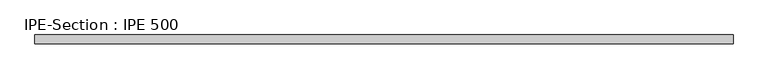
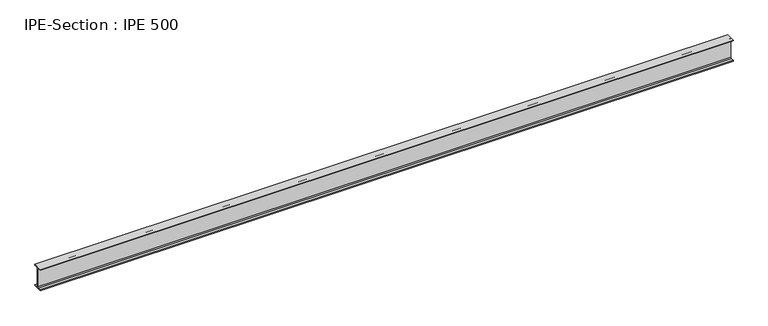
"""IFC4 building model written with IfcOpenShell, lengths in millimetres: beam geometry, IPE-Section : IPE 500."""

import ifcopenshell
import ifcopenshell.guid

model = None  # the IFC model being written
_history = None  # IfcOwnerHistory: only IFC2X3 demands one
_inside = {}  # id of a spatial element -> (the spatial element, [elements in it])
_under = {}  # id of a project, library or spatial element -> (it, [spatial elements below it])
_declared = {}  # id of a project -> (the project, [libraries it declares])
_typed = {}  # id of a type object -> (the type object, [elements of that type])
_made_of = {}  # id of a material, layer set ... -> (it, [elements and type objects made of it])


def new_model(schema):
    """Start an empty IFC model of exactly this schema.

    Asked for "IFC4X3", IfcOpenShell would pick the latest addendum, in which some entities
    have other attributes; the version numbers below select the first issue.
    IFC2X3 requires an IfcOwnerHistory on every rooted entity: one is made here for all.
    """
    global model, _history
    if schema == "IFC4X3":
        model = ifcopenshell.file(schema_version=(4, 3, 0, 0))
    else:
        model = ifcopenshell.file(schema=schema)
    _inside.clear()
    _under.clear()
    _declared.clear()
    _typed.clear()
    _made_of.clear()
    _history = None
    if model.schema == "IFC2X3":
        org = make("IfcOrganization", Name="unknown")
        user = make(
            "IfcPersonAndOrganization",
            ThePerson=make("IfcPerson", FamilyName="unknown"),
            TheOrganization=org,
        )
        app = make(
            "IfcApplication",
            ApplicationDeveloper=org,
            Version="unknown",
            ApplicationFullName="unknown",
            ApplicationIdentifier="unknown",
        )
        _history = make(
            "IfcOwnerHistory",
            OwningUser=user,
            OwningApplication=app,
            ChangeAction="ADDED",
            CreationDate=0,
        )
    return model


def make(cls, **values):
    """One entity of the class cls with the attributes given. An attribute that is None is left unset."""
    return model.create_entity(
        cls, **{name: value for name, value in values.items() if value is not None}
    )


def rooted(cls, **values):
    """An entity with a GlobalId (a new one), such as an element, a storey or a relation."""
    return make(cls, GlobalId=ifcopenshell.guid.new(), OwnerHistory=_history, **values)


def si_unit(unit_type, name, prefix=None):
    """IfcSIUnit, for example si_unit("LENGTHUNIT", "METRE", prefix="MILLI")."""
    return make("IfcSIUnit", UnitType=unit_type, Prefix=prefix, Name=name)


def assignment(units):
    """IfcUnitAssignment: the units of a project."""
    return None if units is None else make("IfcUnitAssignment", Units=units)


def point(xyz):
    """IfcCartesianPoint."""
    return None if xyz is None else make("IfcCartesianPoint", Coordinates=xyz)


def direction(xyz):
    """IfcDirection."""
    return None if xyz is None else make("IfcDirection", DirectionRatios=xyz)


def frame(location, z_axis=None, x_axis=None):
    """IfcAxis2Placement3D, a coordinate frame: its origin and axes. An axis left out is left unset."""
    return make(
        "IfcAxis2Placement3D",
        Location=point(location),
        Axis=direction(z_axis),
        RefDirection=direction(x_axis),
    )


def frame_2d(location, x_axis=None):
    """IfcAxis2Placement2D, a coordinate frame in the plane: its origin and x axis."""
    return make(
        "IfcAxis2Placement2D", Location=point(location), RefDirection=direction(x_axis)
    )


def origin():
    """The frame at (0, 0, 0) with its axes left unset."""
    return frame((0.0, 0.0, 0.0))


def place(relative_to, where):
    """IfcLocalPlacement: puts the frame where relative to a parent placement (None: the world)."""
    return make(
        "IfcLocalPlacement", PlacementRelTo=relative_to, RelativePlacement=where
    )


def context(
    kind, dimensions, precision=None, world=None, true_north=None, identifier=None
):
    """IfcGeometricRepresentationContext, for example the 3D "Model" context."""
    return make(
        "IfcGeometricRepresentationContext",
        ContextIdentifier=identifier,
        ContextType=kind,
        CoordinateSpaceDimension=dimensions,
        Precision=precision,
        WorldCoordinateSystem=world,
        TrueNorth=true_north,
    )


def project(units=None, contexts=None):
    """IfcProject with its units and contexts."""
    return rooted(
        "IfcProject",
        Name="project",
        RepresentationContexts=contexts,
        UnitsInContext=assignment(units),
    )


def spatial(cls, under=None, at=None, **own):
    """A site, building, storey or space (cls), placed at a placement, below another one or the project."""
    s = rooted(cls, ObjectPlacement=at, **own)
    if under is not None:
        _under.setdefault(under.id(), (under, []))[1].append(s)
    return s


def polyline(points):
    """IfcPolyline through the points."""
    return make("IfcPolyline", Points=[point(p) for p in points])


def circle_curve(where, radius):
    """IfcCircle in the frame where."""
    return make("IfcCircle", Position=where, Radius=radius)


def trimmed(basis, trim1, trim2, sense, master):
    """IfcTrimmedCurve: the piece of a basis curve between two trims."""
    return make(
        "IfcTrimmedCurve",
        BasisCurve=basis,
        Trim1=trim1,
        Trim2=trim2,
        SenseAgreement=sense,
        MasterRepresentation=master,
    )


def segment(curve, same_sense, transition):
    """IfcCompositeCurveSegment."""
    return make(
        "IfcCompositeCurveSegment",
        Transition=transition,
        SameSense=same_sense,
        ParentCurve=curve,
    )


def composite_curve(segments, self_intersect=None):
    """IfcCompositeCurve: segments joined end to end."""
    return make("IfcCompositeCurve", Segments=segments, SelfIntersect=self_intersect)


def outline(outer, holes=None, kind="AREA"):
    """IfcArbitraryClosedProfileDef: a profile drawn as a closed curve; with holes, ...WithVoids."""
    if holes is None:
        return make("IfcArbitraryClosedProfileDef", ProfileType=kind, OuterCurve=outer)
    return make(
        "IfcArbitraryProfileDefWithVoids",
        ProfileType=kind,
        OuterCurve=outer,
        InnerCurves=holes,
    )


def extrude(swept, where, along, depth):
    """IfcExtrudedAreaSolid: the profile swept, set in the frame where, extruded along a direction by depth."""
    return make(
        "IfcExtrudedAreaSolid",
        SweptArea=swept,
        Position=where,
        ExtrudedDirection=direction(along),
        Depth=depth,
    )


def shape(context_of_items, identifier, shape_type, items):
    """IfcShapeRepresentation: the items that make up one representation, for example the "Body"."""
    return make(
        "IfcShapeRepresentation",
        ContextOfItems=context_of_items,
        RepresentationIdentifier=identifier,
        RepresentationType=shape_type,
        Items=items,
    )


def source(mapping_origin, context_of_items, identifier, shape_type, items):
    """IfcRepresentationMap: a shape defined once, which mapped items show again and again."""
    return make(
        "IfcRepresentationMap",
        MappingOrigin=mapping_origin,
        MappedRepresentation=shape(context_of_items, identifier, shape_type, items),
    )


def transform(
    local_origin,
    x_axis=None,
    y_axis=None,
    z_axis=None,
    scale=None,
    scale2=None,
    scale3=None,
    uniform=True,
):
    """IfcCartesianTransformationOperator3D, or its non-uniform kind. x_axis, y_axis, z_axis: its Axis1, 2, 3."""
    if uniform:
        return make(
            "IfcCartesianTransformationOperator3D",
            Axis1=direction(x_axis),
            Axis2=direction(y_axis),
            LocalOrigin=point(local_origin),
            Scale=scale,
            Axis3=direction(z_axis),
        )
    return make(
        "IfcCartesianTransformationOperator3DnonUniform",
        Axis1=direction(x_axis),
        Axis2=direction(y_axis),
        LocalOrigin=point(local_origin),
        Scale=scale,
        Axis3=direction(z_axis),
        Scale2=scale2,
        Scale3=scale3,
    )


def mapped(mapping_source, mapping_target):
    """IfcMappedItem: shows the shape of a source again, moved by a transform."""
    return make(
        "IfcMappedItem", MappingSource=mapping_source, MappingTarget=mapping_target
    )


def made_of(thing, what):
    """Note that an element or type object is made of a material, layer set ...; save() writes the relation."""
    if what is not None:
        _made_of.setdefault(what.id(), (what, []))[1].append(thing)
    return thing


def element(
    cls,
    number,
    at=None,
    inside=None,
    cuts=None,
    type_object=None,
    material=None,
    context=None,
    identifier="Body",
    shape_type=None,
    held_by="IfcProductDefinitionShape",
    body=None,
    shapes=None,
    **own,
):
    """One element of the class cls, such as IfcWall. Its Tag is "e" and its number.

    at: its placement. inside: the storey or other place that contains it. cuts: it is an
    opening in that element (IfcRelVoidsElement). A single representation is given by context,
    identifier, shape_type and body (its items); several are given by shapes. held_by: the class
    of the entity that holds the representations. save() writes the other relations.
    """
    e = rooted(cls, Tag="e%d" % number, ObjectPlacement=at, **own)
    if body is not None:
        shapes = [shape(context, identifier, shape_type, body)]
    if shapes is not None:
        e.Representation = make(held_by, Representations=shapes)
    if inside is not None:
        _inside.setdefault(inside.id(), (inside, []))[1].append(e)
    if cuts is not None:
        rooted(
            "IfcRelVoidsElement", RelatingBuildingElement=cuts, RelatedOpeningElement=e
        )
    if type_object is not None:
        _typed.setdefault(type_object.id(), (type_object, []))[1].append(e)
    return made_of(e, material)


def aggregate(whole, parts):
    """IfcRelAggregates: a whole, such as a stair, and the parts it consists of."""
    return rooted("IfcRelAggregates", RelatingObject=whole, RelatedObjects=parts)


def save(model, path):
    """Write the relations noted so far, then the file.

    IfcRelAggregates (storeys below a building ...), IfcRelContainedInSpatialStructure (elements
    in a storey), IfcRelDefinesByType, IfcRelAssociatesMaterial and IfcRelDeclares: one each for
    every whole, place, type object, material and project.
    """
    for whole, parts in _under.values():
        aggregate(whole, parts)
    for where, things in _inside.values():
        rooted(
            "IfcRelContainedInSpatialStructure",
            RelatedElements=things,
            RelatingStructure=where,
        )
    for kind, things in _typed.values():
        rooted("IfcRelDefinesByType", RelatedObjects=things, RelatingType=kind)
    for what, things in _made_of.values():
        rooted("IfcRelAssociatesMaterial", RelatedObjects=things, RelatingMaterial=what)
    for by, libraries in _declared.values():
        rooted("IfcRelDeclares", RelatingContext=by, RelatedDefinitions=libraries)
    model.write(path)


def ipe_section_ipe_500_4075d608(model_context):
    return source(origin(), model_context, "Body", "SweptSolid", [
        extrude(outline(composite_curve([segment(polyline([(100.0, -234.0), (100.0, -250.0), (-100.0, -250.0), (-100.0, -234.0), (-26.1, -234.0)]), True, "CONTINUOUS"), segment(trimmed(circle_curve(frame_2d((-26.1, -213.0)), 21.0), [point((-26.1, -234.0))], [point((-5.1, -213.0))], True, "CARTESIAN"), True, "CONTINUOUS"), segment(polyline([(-5.1, -213.0), (-5.1, 213.0)]), True, "CONTINUOUS"), segment(trimmed(circle_curve(frame_2d((-26.1, 213.0)), 21.0), [point((-5.1, 213.0))], [point((-26.1, 234.0))], True, "CARTESIAN"), True, "CONTINUOUS"), segment(polyline([(-26.1, 234.0), (-100.0, 234.0), (-100.0, 250.0), (100.0, 250.0), (100.0, 234.0), (26.1, 234.0)]), True, "CONTINUOUS"), segment(trimmed(circle_curve(frame_2d((26.1, 213.0)), 21.0), [point((26.1, 234.0))], [point((5.1, 213.0))], True, "CARTESIAN"), True, "CONTINUOUS"), segment(polyline([(5.1, 213.0), (5.1, -213.0)]), True, "CONTINUOUS"), segment(trimmed(circle_curve(frame_2d((26.1, -213.0)), 21.0), [point((5.1, -213.0))], [point((26.1, -234.0))], True, "CARTESIAN"), True, "CONTINUOUS"), segment(polyline([(26.1, -234.0), (100.0, -234.0)]), True, "CONTINUOUS")], self_intersect=False)), frame((-7775.0, 0.0, 0.0), z_axis=(1.0, 0.0, 0.0), x_axis=(0.0, 1.0, 0.0)), (0.0, 0.0, 1.0), 15550.0),
    ])


if __name__ == "__main__":
    model = new_model("IFC4")
    model_context = context("Model", 3, world=origin())
    ifc_project = project(units=[si_unit("LENGTHUNIT", "METRE", prefix="MILLI")], contexts=[model_context])
    site = spatial("IfcSite", under=ifc_project)
    building = spatial("IfcBuilding", under=site)
    placement = place(None, origin())
    ipe_section_ipe_500_shape = ipe_section_ipe_500_4075d608(model_context)
    element("IfcBeam", 1, ObjectType="IPE-Section : IPE 500", at=placement, inside=building, context=model_context, shape_type="MappedRepresentation", body=[
        mapped(ipe_section_ipe_500_shape, transform((0.0, 0.0, 0.0), x_axis=(1.0, 0.0, 0.0), y_axis=(0.0, 1.0, 0.0), z_axis=(0.0, 0.0, 1.0))),
    ])
    save(model, "model.ifc")
